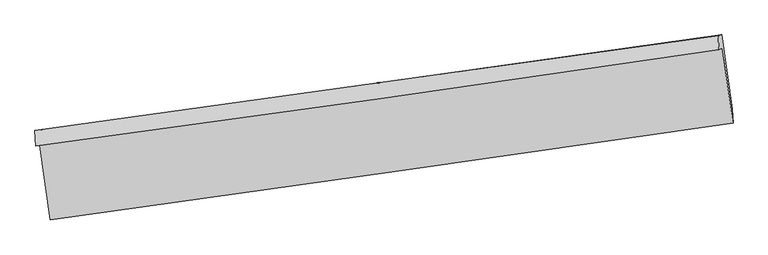
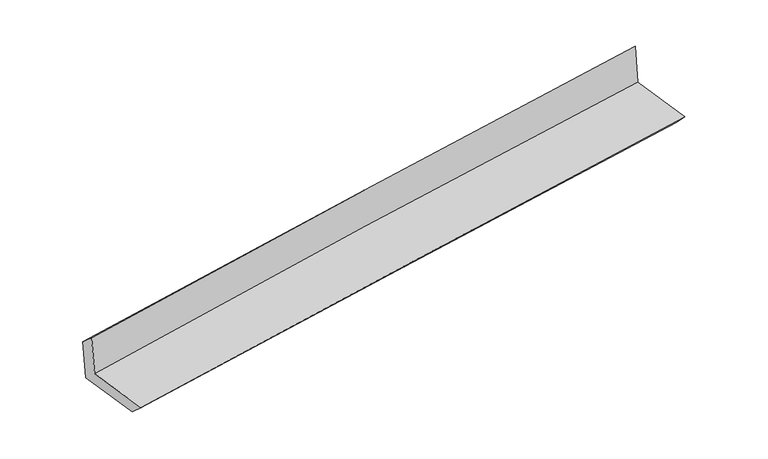
"""IFC4 building model written with IfcOpenShell, lengths in millimetres: proxy geometry."""

import ifcopenshell
import ifcopenshell.guid

model = None  # the IFC model being written
_history = None  # IfcOwnerHistory: only IFC2X3 demands one
_inside = {}  # id of a spatial element -> (the spatial element, [elements in it])
_under = {}  # id of a project, library or spatial element -> (it, [spatial elements below it])
_declared = {}  # id of a project -> (the project, [libraries it declares])
_typed = {}  # id of a type object -> (the type object, [elements of that type])
_made_of = {}  # id of a material, layer set ... -> (it, [elements and type objects made of it])


def new_model(schema):
    """Start an empty IFC model of exactly this schema.

    Asked for "IFC4X3", IfcOpenShell would pick the latest addendum, in which some entities
    have other attributes; the version numbers below select the first issue.
    IFC2X3 requires an IfcOwnerHistory on every rooted entity: one is made here for all.
    """
    global model, _history
    if schema == "IFC4X3":
        model = ifcopenshell.file(schema_version=(4, 3, 0, 0))
    else:
        model = ifcopenshell.file(schema=schema)
    _inside.clear()
    _under.clear()
    _declared.clear()
    _typed.clear()
    _made_of.clear()
    _history = None
    if model.schema == "IFC2X3":
        org = make("IfcOrganization", Name="unknown")
        user = make(
            "IfcPersonAndOrganization",
            ThePerson=make("IfcPerson", FamilyName="unknown"),
            TheOrganization=org,
        )
        app = make(
            "IfcApplication",
            ApplicationDeveloper=org,
            Version="unknown",
            ApplicationFullName="unknown",
            ApplicationIdentifier="unknown",
        )
        _history = make(
            "IfcOwnerHistory",
            OwningUser=user,
            OwningApplication=app,
            ChangeAction="ADDED",
            CreationDate=0,
        )
    return model


def make(cls, **values):
    """One entity of the class cls with the attributes given. An attribute that is None is left unset."""
    return model.create_entity(
        cls, **{name: value for name, value in values.items() if value is not None}
    )


def rooted(cls, **values):
    """An entity with a GlobalId (a new one), such as an element, a storey or a relation."""
    return make(cls, GlobalId=ifcopenshell.guid.new(), OwnerHistory=_history, **values)


def si_unit(unit_type, name, prefix=None):
    """IfcSIUnit, for example si_unit("LENGTHUNIT", "METRE", prefix="MILLI")."""
    return make("IfcSIUnit", UnitType=unit_type, Prefix=prefix, Name=name)


def assignment(units):
    """IfcUnitAssignment: the units of a project."""
    return None if units is None else make("IfcUnitAssignment", Units=units)


def point(xyz):
    """IfcCartesianPoint."""
    return None if xyz is None else make("IfcCartesianPoint", Coordinates=xyz)


def direction(xyz):
    """IfcDirection."""
    return None if xyz is None else make("IfcDirection", DirectionRatios=xyz)


def frame(location, z_axis=None, x_axis=None):
    """IfcAxis2Placement3D, a coordinate frame: its origin and axes. An axis left out is left unset."""
    return make(
        "IfcAxis2Placement3D",
        Location=point(location),
        Axis=direction(z_axis),
        RefDirection=direction(x_axis),
    )


def origin():
    """The frame at (0, 0, 0) with its axes left unset."""
    return frame((0.0, 0.0, 0.0))


def place(relative_to, where):
    """IfcLocalPlacement: puts the frame where relative to a parent placement (None: the world)."""
    return make(
        "IfcLocalPlacement", PlacementRelTo=relative_to, RelativePlacement=where
    )


def context(
    kind, dimensions, precision=None, world=None, true_north=None, identifier=None
):
    """IfcGeometricRepresentationContext, for example the 3D "Model" context."""
    return make(
        "IfcGeometricRepresentationContext",
        ContextIdentifier=identifier,
        ContextType=kind,
        CoordinateSpaceDimension=dimensions,
        Precision=precision,
        WorldCoordinateSystem=world,
        TrueNorth=true_north,
    )


def project(units=None, contexts=None):
    """IfcProject with its units and contexts."""
    return rooted(
        "IfcProject",
        Name="project",
        RepresentationContexts=contexts,
        UnitsInContext=assignment(units),
    )


def spatial(cls, under=None, at=None, **own):
    """A site, building, storey or space (cls), placed at a placement, below another one or the project."""
    s = rooted(cls, ObjectPlacement=at, **own)
    if under is not None:
        _under.setdefault(under.id(), (under, []))[1].append(s)
    return s


def shape(context_of_items, identifier, shape_type, items):
    """IfcShapeRepresentation: the items that make up one representation, for example the "Body"."""
    return make(
        "IfcShapeRepresentation",
        ContextOfItems=context_of_items,
        RepresentationIdentifier=identifier,
        RepresentationType=shape_type,
        Items=items,
    )


def source(mapping_origin, context_of_items, identifier, shape_type, items):
    """IfcRepresentationMap: a shape defined once, which mapped items show again and again."""
    return make(
        "IfcRepresentationMap",
        MappingOrigin=mapping_origin,
        MappedRepresentation=shape(context_of_items, identifier, shape_type, items),
    )


def transform(
    local_origin,
    x_axis=None,
    y_axis=None,
    z_axis=None,
    scale=None,
    scale2=None,
    scale3=None,
    uniform=True,
):
    """IfcCartesianTransformationOperator3D, or its non-uniform kind. x_axis, y_axis, z_axis: its Axis1, 2, 3."""
    if uniform:
        return make(
            "IfcCartesianTransformationOperator3D",
            Axis1=direction(x_axis),
            Axis2=direction(y_axis),
            LocalOrigin=point(local_origin),
            Scale=scale,
            Axis3=direction(z_axis),
        )
    return make(
        "IfcCartesianTransformationOperator3DnonUniform",
        Axis1=direction(x_axis),
        Axis2=direction(y_axis),
        LocalOrigin=point(local_origin),
        Scale=scale,
        Axis3=direction(z_axis),
        Scale2=scale2,
        Scale3=scale3,
    )


def mapped(mapping_source, mapping_target):
    """IfcMappedItem: shows the shape of a source again, moved by a transform."""
    return make(
        "IfcMappedItem", MappingSource=mapping_source, MappingTarget=mapping_target
    )


def made_of(thing, what):
    """Note that an element or type object is made of a material, layer set ...; save() writes the relation."""
    if what is not None:
        _made_of.setdefault(what.id(), (what, []))[1].append(thing)
    return thing


def element(
    cls,
    number,
    at=None,
    inside=None,
    cuts=None,
    type_object=None,
    material=None,
    context=None,
    identifier="Body",
    shape_type=None,
    held_by="IfcProductDefinitionShape",
    body=None,
    shapes=None,
    **own,
):
    """One element of the class cls, such as IfcWall. Its Tag is "e" and its number.

    at: its placement. inside: the storey or other place that contains it. cuts: it is an
    opening in that element (IfcRelVoidsElement). A single representation is given by context,
    identifier, shape_type and body (its items); several are given by shapes. held_by: the class
    of the entity that holds the representations. save() writes the other relations.
    """
    e = rooted(cls, Tag="e%d" % number, ObjectPlacement=at, **own)
    if body is not None:
        shapes = [shape(context, identifier, shape_type, body)]
    if shapes is not None:
        e.Representation = make(held_by, Representations=shapes)
    if inside is not None:
        _inside.setdefault(inside.id(), (inside, []))[1].append(e)
    if cuts is not None:
        rooted(
            "IfcRelVoidsElement", RelatingBuildingElement=cuts, RelatedOpeningElement=e
        )
    if type_object is not None:
        _typed.setdefault(type_object.id(), (type_object, []))[1].append(e)
    return made_of(e, material)


def aggregate(whole, parts):
    """IfcRelAggregates: a whole, such as a stair, and the parts it consists of."""
    return rooted("IfcRelAggregates", RelatingObject=whole, RelatedObjects=parts)


def save(model, path):
    """Write the relations noted so far, then the file.

    IfcRelAggregates (storeys below a building ...), IfcRelContainedInSpatialStructure (elements
    in a storey), IfcRelDefinesByType, IfcRelAssociatesMaterial and IfcRelDeclares: one each for
    every whole, place, type object, material and project.
    """
    for whole, parts in _under.values():
        aggregate(whole, parts)
    for where, things in _inside.values():
        rooted(
            "IfcRelContainedInSpatialStructure",
            RelatedElements=things,
            RelatingStructure=where,
        )
    for kind, things in _typed.values():
        rooted("IfcRelDefinesByType", RelatedObjects=things, RelatingType=kind)
    for what, things in _made_of.values():
        rooted("IfcRelAssociatesMaterial", RelatedObjects=things, RelatingMaterial=what)
    for by, libraries in _declared.values():
        rooted("IfcRelDeclares", RelatingContext=by, RelatedDefinitions=libraries)
    model.write(path)


def plane_surface(at):
    """IfcPlane: the flat surface through the origin of the frame at, square to its z axis."""
    return make("IfcPlane", Position=at)


def spline_curve(degree, points, multiplicities, knots, weights=None):
    """IfcBSplineCurveWithKnots; with weights, IfcRationalBSplineCurveWithKnots."""
    own = dict(
        Degree=degree,
        ControlPointsList=[point(p) for p in points],
        CurveForm="UNSPECIFIED",
        ClosedCurve=False,
        SelfIntersect=False,
        KnotMultiplicities=multiplicities,
        Knots=knots,
        KnotSpec="UNSPECIFIED",
    )
    if weights is None:
        return make("IfcBSplineCurveWithKnots", **own)
    return make("IfcRationalBSplineCurveWithKnots", WeightsData=weights, **own)


def spline_surface(u_degree, v_degree, points, u_multiplicities, v_multiplicities, u_knots, v_knots, weights=None):
    """IfcBSplineSurfaceWithKnots; with weights, IfcRationalBSplineSurfaceWithKnots. points: one row for each step in u."""
    own = dict(
        UDegree=u_degree,
        VDegree=v_degree,
        ControlPointsList=[[point(p) for p in row] for row in points],
        SurfaceForm="UNSPECIFIED",
        UClosed=False,
        VClosed=False,
        SelfIntersect=False,
        UMultiplicities=u_multiplicities,
        VMultiplicities=v_multiplicities,
        UKnots=u_knots,
        VKnots=v_knots,
        KnotSpec="UNSPECIFIED",
    )
    if weights is None:
        return make("IfcBSplineSurfaceWithKnots", **own)
    return make("IfcRationalBSplineSurfaceWithKnots", WeightsData=weights, **own)


def advanced_brep(points, edges, surfaces, faces):
    """IfcAdvancedBrep: a solid bounded by faces that lie on surfaces and meet in shared edges.

    An edge is (start, end): straight between two places in points (the first is 0);
    or (start, end, curve); or (start, end, curve, False) where it runs against its curve.
    A face is (place in surfaces, loops), or (place, loops, False) where it looks against
    its surface's normal. A loop lists edges by number (the first is 1), with a minus sign
    where the edge is run from its end to its start. The first loop is the outer one.
    """
    corners = [point(p) for p in points]
    vertices = [make("IfcVertexPoint", VertexGeometry=c) for c in corners]
    made = []
    for start, end, *more in edges:
        made.append(
            make(
                "IfcEdgeCurve",
                EdgeStart=vertices[start],
                EdgeEnd=vertices[end],
                EdgeGeometry=more[0] if more else make("IfcPolyline", Points=[corners[start], corners[end]]),
                SameSense=more[1] if len(more) > 1 else True,
            )
        )
    hull = []
    for where, loops, *sense in faces:
        bounds = []
        for j, loop in enumerate(loops):
            ring = [make("IfcOrientedEdge", EdgeElement=made[abs(k) - 1], Orientation=k > 0) for k in loop]
            bounds.append(
                make(
                    "IfcFaceOuterBound" if j == 0 else "IfcFaceBound",
                    Bound=make("IfcEdgeLoop", EdgeList=ring),
                    Orientation=True,
                )
            )
        hull.append(make("IfcAdvancedFace", Bounds=bounds, FaceSurface=surfaces[where], SameSense=sense[0] if sense else True))
    return make("IfcAdvancedBrep", Outer=make("IfcClosedShell", CfsFaces=hull))


def generic_models_81e34078(model_context):
    return source(origin(), model_context, "Body", "AdvancedBrep", [
        advanced_brep(
        [(-3004.546111, -1920.5439781, 1641.835182), (-2911.6836389, -2568.9253393, 1640.0542763), (3050.1744623, -1724.0792322, 2139.8560955), (2957.523342, -1066.7193625, 2141.7831706), (-3036.8976534, -1926.272396, 2040.4836022), (2926.3134651, -1080.9760118, 2541.13205), (-3046.2183406, -1787.0054744, 1913.1690139), (2919.7390351, -957.8700509, 2411.9267454), (-3013.6377731, -1786.0608178, 1519.9890863), (2952.629056, -952.0462857, 2006.6429813), (-2921.4938946, -2429.4248379, 1518.2219617), (3043.9096453, -1599.6822358, 2004.7444122)],
        [
            (0, 1),
            (1, 2, spline_curve(3, [(-2911.6836389, -2568.9253393, 1640.0542763), (-1918.36236161, -2432.120007997, 1732.467682463), (-924.931236097, -2293.320933311, 1820.320728654), (1062.35475274, -2011.706383446, 1986.923208541), (2056.209660691, -1868.890088899, 2065.670768312), (3050.1744623, -1724.0792322, 2139.8560955)], [4, 2, 4], [0.0, 9.912083580810574, 19.826202779619855])),
            (2, 3),
            (3, 0, spline_curve(3, [(2957.523342, -1066.7193625, 2141.7831706), (1962.641895801, -1212.48894625, 2077.544612779), (968.311095922, -1356.532917773, 2003.757743687), (-1019.045162264, -1641.140414688, 1837.104493521), (-2012.070846895, -1781.704648259, 1744.2420331), (-3004.546111, -1920.5439781, 1641.835182)], [4, 2, 4], [0.0, 9.914119198809281, 19.826202779619855])),
            (4, 0),
            (3, 5),
            (5, 4, spline_curve(3, [(2926.3134651, -1080.9760118, 2541.13205), (1931.790781277, -1228.318683586, 2475.317430929), (937.544186135, -1372.438286218, 2400.684228657), (-1050.192739792, -1654.202424381, 2233.797791494), (-2043.683184245, -1791.848282951, 2141.548178209), (-3036.8976534, -1926.272396, 2040.4836022)], [4, 2, 4], [0.0, 9.915505025975689, 19.8289741494075])),
            (6, 4),
            (5, 7),
            (7, 6, spline_curve(3, [(2919.7390351, -957.8700509, 2411.9267454), (1925.185490855, -1097.293181829, 2332.529854037), (930.694565215, -1236.106397814, 2251.263804608), (-1057.957867675, -1512.484621573, 2085.010459941), (-2052.119400465, -1650.049880628, 2000.023932004), (-3046.2183406, -1787.0054744, 1913.1690139)], [4, 2, 4], [0.0, 9.915460937200905, 19.828885980910467])),
            (8, 6),
            (7, 9),
            (9, 8, spline_curve(3, [(2952.629056, -952.0462857, 2006.6429813), (1957.587855556, -1090.751464812, 1931.872984834), (962.827333422, -1229.612417419, 1853.929005759), (-1025.9281607, -1507.617325351, 1691.709737399), (-2019.923248833, -1646.761217056, 1607.435751495), (-3013.6377731, -1786.0608178, 1519.9890863)], [4, 2, 4], [0.0, 9.915594877062956, 19.829153833133347])),
            (10, 8),
            (9, 11),
            (11, 10, spline_curve(3, [(3043.9096453, -1599.6822358, 2004.7444122), (2049.391957307, -1738.582752048, 1926.669115562), (1054.965120457, -1877.185295973, 1847.0836117), (-933.502689072, -2153.76604082, 1684.908841489), (-1927.54369875, -2291.744364687, 1602.320194924), (-2921.4938946, -2429.4248379, 1518.2219617)], [4, 2, 4], [0.0, 9.914396528801447, 19.826757382661366])),
            (1, 10),
            (11, 2),
        ],
        [
            spline_surface(3, 3, [[(-3004.546111, -1920.5439781, 1641.835182), (-2012.070846893, -1781.704648256, 1744.242033128), (-1019.045162295, -1641.140414553, 1837.10449353), (968.311095952, -1356.532917909, 2003.757743678), (1962.64189566, -1212.488946402, 2077.544612808), (2957.523342, -1066.7193625, 2141.7831706)], [(-2973.591953626, -2136.671098524, 1641.241546766), (-1980.834685111, -1998.509768183, 1740.31724952), (-987.673853509, -1858.533920838, 1831.509905298), (999.658981528, -1574.924073054, 1998.146231958), (1993.831150696, -1431.289327238, 2073.586664667), (2988.407048766, -1285.839319073, 2141.140812228)], [(-2942.637796274, -2352.798218876, 1640.647911534), (-1949.598523349, -2215.314888036, 1736.392465913), (-956.302544772, -2075.927427125, 1825.915316988), (1031.006867054, -1793.315228202, 1992.53472016), (2025.020405734, -1650.089708056, 2069.628716542), (3019.290755534, -1504.959275627, 2140.498453872)], [(-2911.6836389, -2568.9253393, 1640.0542763), (-1918.362361567, -2432.120007963, 1732.467682305), (-924.931235987, -2293.32093341, 1820.320728755), (1062.35475263, -2011.706383347, 1986.92320844), (2056.20966077, -1868.890088893, 2065.6707684), (3050.1744623, -1724.0792322, 2139.8560955)]], [4, 4], [4, 2, 4], [0.0, 2.167409788422979], [0.0, 9.912083580810574, 19.826202779619855]),
            spline_surface(3, 3, [[(-3036.8976534, -1926.272396, 2040.4836022), (-2043.683184221, -1791.848282899, 2141.548178104), (-1050.192739897, -1654.202424304, 2233.797791614), (937.544186239, -1372.438286295, 2400.684228536), (1931.790781415, -1228.318683544, 2475.317430947), (2926.3134651, -1080.9760118, 2541.13205)], [(-3026.113805953, -1924.362923342, 1907.600795463), (-2033.145738465, -1788.467071327, 2009.112796442), (-1039.810214053, -1649.84842105, 2101.566692253), (947.799822787, -1367.136496829, 2268.375400251), (1942.074486158, -1223.042104505, 2342.726491558), (2936.716757394, -1076.223795375, 2408.015756857)], [(-3015.329958447, -1922.453450758, 1774.717988737), (-2022.60829265, -1785.085859828, 1876.67741479), (-1029.427688139, -1645.494417807, 1969.335592891), (958.055459404, -1361.834707374, 2136.066571964), (1952.358190917, -1217.765525441, 2210.135552197), (2947.120049706, -1071.471578925, 2274.899463743)], [(-3004.546111, -1920.5439781, 1641.835182), (-2012.070846893, -1781.704648256, 1744.242033128), (-1019.045162295, -1641.140414553, 1837.10449353), (968.311095952, -1356.532917909, 2003.757743678), (1962.64189566, -1212.488946402, 2077.544612808), (2957.523342, -1066.7193625, 2141.7831706)]], [4, 4], [4, 2, 4], [0.0, 1.3066899676573978], [0.0, 9.913469123431812, 19.8289741494075]),
            spline_surface(3, 3, [[(-3046.2183406, -1787.0054744, 1913.1690139), (-2052.119400576, -1650.049880526, 2000.023932115), (-1057.957867663, -1512.484621733, 2085.010459948), (930.694565203, -1236.106397653, 2251.2638046), (1925.185490835, -1097.293181978, 2332.529853946), (2919.7390351, -957.8700509, 2411.9267454)], [(-3043.111444858, -1833.42778161, 1955.607209979), (-2049.307328449, -1697.31601466, 2047.198680757), (-1055.369491738, -1559.723889252, 2134.606237144), (932.977772218, -1281.550360529, 2301.070612553), (1927.387254358, -1140.968349166, 2380.125712938), (2921.930511764, -998.905371199, 2454.995180258)], [(-3040.004549142, -1879.85008879, 1998.045406121), (-2046.495256348, -1744.582148764, 2094.373429462), (-1052.781115821, -1606.963156785, 2184.202014418), (935.260979224, -1326.994323419, 2350.877420583), (1929.589017891, -1184.643516356, 2427.721571955), (2924.121988436, -1039.940691501, 2498.063615142)], [(-3036.8976534, -1926.272396, 2040.4836022), (-2043.683184221, -1791.848282899, 2141.548178104), (-1050.192739897, -1654.202424304, 2233.797791614), (937.544186239, -1372.438286295, 2400.684228536), (1931.790781415, -1228.318683544, 2475.317430947), (2926.3134651, -1080.9760118, 2541.13205)]], [4, 4], [4, 2, 4], [0.0, 0.6692683073997266], [0.0, 9.913425043709562, 19.828885980910467]),
            spline_surface(3, 3, [[(-3013.6377731, -1786.0608178, 1519.9890863), (-2019.923248711, -1646.761216932, 1607.435751633), (-1025.928160863, -1507.617325396, 1691.709737446), (962.827333585, -1229.612417374, 1853.929005712), (1957.587855444, -1090.751464931, 1931.872984894), (2952.629056, -952.0462857, 2006.6429813)], [(-3024.497962266, -1786.375703323, 1651.049062173), (-2030.655299332, -1647.857438119, 1738.298478467), (-1036.604729795, -1509.239757494, 1822.809978276), (952.116410792, -1231.777077452, 1986.373938671), (1946.787067256, -1092.932037281, 2065.425274576), (2941.665715715, -953.987540768, 2141.737569331)], [(-3035.358151434, -1786.690588877, 1782.109038027), (-2041.387349955, -1648.953659338, 1869.161205281), (-1047.281298731, -1510.862189636, 1953.910219118), (941.405487996, -1233.941737575, 2118.818871641), (1935.986279022, -1095.112609628, 2198.977564264), (2930.702375385, -955.928795832, 2276.832157369)], [(-3046.2183406, -1787.0054744, 1913.1690139), (-2052.119400576, -1650.049880526, 2000.023932115), (-1057.957867663, -1512.484621733, 2085.010459948), (930.694565203, -1236.106397653, 2251.2638046), (1925.185490835, -1097.293181978, 2332.529853946), (2919.7390351, -957.8700509, 2411.9267454)]], [4, 4], [4, 2, 4], [0.0, 1.301372914997136], [0.0, 9.913558956070391, 19.829153833133347]),
            spline_surface(3, 3, [[(-2921.4938946, -2429.4248379, 1518.2219617), (-1927.543698693, -2291.744364541, 1602.32019497), (-933.502688981, -2153.766040896, 1684.908841456), (1054.965120365, -1877.185295897, 1847.083611733), (2049.391957253, -1738.582752141, 1926.6691154), (3043.9096453, -1599.6822358, 2004.7444122)], [(-2952.208520766, -2214.970164558, 1518.811003232), (-1958.336882031, -2076.74998203, 1604.025380523), (-964.311179609, -1938.383135733, 1687.175806804), (1024.252524771, -1661.327669726, 1849.365409744), (2018.790589964, -1522.638989717, 1928.403738558), (3013.482782181, -1383.803585747, 2005.37726856)], [(-2982.923146934, -2000.515491142, 1519.400044768), (-1989.130065372, -1861.755599443, 1605.73056608), (-995.119670235, -1723.00023056, 1689.442772098), (993.539929179, -1445.470043545, 1851.6472077), (1988.189222733, -1306.695227354, 1930.138361735), (2983.055919119, -1167.924935753, 2006.01012494)], [(-3013.6377731, -1786.0608178, 1519.9890863), (-2019.923248711, -1646.761216932, 1607.435751633), (-1025.928160863, -1507.617325396, 1691.709737446), (962.827333585, -1229.612417374, 1853.929005712), (1957.587855444, -1090.751464931, 1931.872984894), (2952.629056, -952.0462857, 2006.6429813)]], [4, 4], [4, 2, 4], [0.0, 2.1438513394273495], [0.0, 9.91236085385992, 19.826757382661366]),
            spline_surface(3, 3, [[(-2911.6836389, -2568.9253393, 1640.0542763), (-1918.362361567, -2432.120007963, 1732.467682305), (-924.931235987, -2293.32093341, 1820.320728755), (1062.35475263, -2011.706383347, 1986.92320844), (2056.20966077, -1868.890088893, 2065.6707684), (3050.1744623, -1724.0792322, 2139.8560955)], [(-2914.95372413, -2522.425172142, 1599.443504786), (-1921.422807273, -2385.328126797, 1689.085186546), (-927.788386981, -2246.802635926, 1775.183432974), (1059.891541878, -1966.866020885, 1940.310009523), (2053.937092945, -1825.454309981, 2019.336884098), (3048.08618998, -1682.613566739, 2094.818867765)], [(-2918.22380937, -2475.925005058, 1558.832733214), (-1924.483252987, -2338.536245707, 1645.702690729), (-930.645537986, -2200.28433838, 1730.046137237), (1057.428331116, -1922.025658359, 1893.69681065), (2051.664525079, -1782.018531053, 1973.002999702), (3045.99791762, -1641.147901261, 2049.781639935)], [(-2921.4938946, -2429.4248379, 1518.2219617), (-1927.543698693, -2291.744364541, 1602.32019497), (-933.502688981, -2153.766040896, 1684.908841456), (1054.965120365, -1877.185295897, 1847.083611733), (2049.391957253, -1738.582752141, 1926.6691154), (3043.9096453, -1599.6822358, 2004.7444122)]], [4, 4], [4, 2, 4], [0.0, 0.637732542619188], [0.0, 9.910921838040773, 19.82387905549626]),
            plane_surface(frame((2975.0481676, -1230.2288631, 2207.6809092), z_axis=(0.9869044659799864, 0.13885791235153258, 0.08208565773709878), x_axis=(-0.08087885585338205, -0.014321044931362143, 0.9966210505241808))),
            plane_surface(frame((-2989.0795686, -2069.7054739, 1712.2921871), z_axis=(-0.9865893402181573, -0.14107581206775846, -0.08209195464431347), x_axis=(-0.14177476659748608, 0.989895208050578, 0.0027189400014424286))),
        ],
        [
            (0, [[1, 2, 3, 4]]),
            (1, [[5, -4, 6, 7]]),
            (2, [[8, -7, 9, 10]]),
            (3, [[11, -10, 12, 13]]),
            (4, [[14, -13, 15, 16]]),
            (5, [[17, -16, 18, -2]]),
            (6, [[-12, -9, -6, -3, -18, -15]]),
            (7, [[-1, -5, -8, -11, -14, -17]]),
        ],
    ),
    ])


if __name__ == "__main__":
    model = new_model("IFC4")
    model_context = context("Model", 3, world=origin())
    ifc_project = project(units=[si_unit("LENGTHUNIT", "METRE", prefix="MILLI")], contexts=[model_context])
    site = spatial("IfcSite", under=ifc_project)
    building = spatial("IfcBuilding", under=site)
    placement = place(None, origin())
    generic_models_shape = generic_models_81e34078(model_context)
    element("IfcBuildingElementProxy", 1, Name="Generic Models", at=placement, inside=building, context=model_context, shape_type="MappedRepresentation", body=[
        mapped(generic_models_shape, transform((0.0, 0.0, 0.0), x_axis=(1.0, 0.0, 0.0), y_axis=(0.0, 1.0, 0.0), z_axis=(0.0, 0.0, 1.0))),
    ])
    save(model, "model.ifc")
